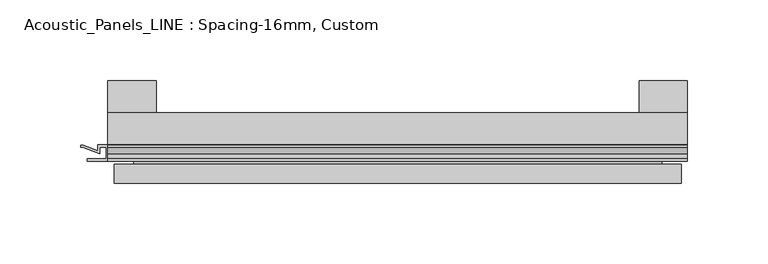
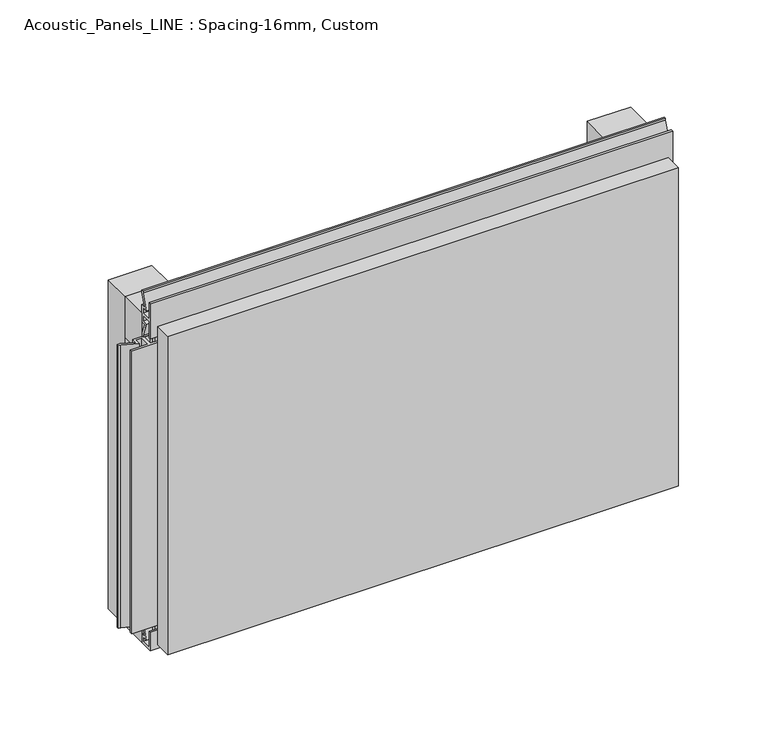
"""IFC4 building model written with IfcOpenShell, lengths in millimetres: plate geometry, Acoustic_Panels_LINE : Spacing-16mm, Custom."""

from ifc_helpers import new_model, si_unit, frame, origin, origin_with_axes, place, context, project, spatial, polyline, outline, extrude, faceted_brep, source, transform, mapped, element, save


def acoustic_panels_line_spacing_16mm_custom_079c71d9(model_context):
    return source(origin(), model_context, "Body", "SolidModel", [
        extrude(outline(polyline([(-180.0, -40.0), (-180.0, -20.0), (180.0, -20.0), (180.0, -40.0), (-180.0, -40.0)])), frame((0.0, 0.0, 210.0), z_axis=(0.0, 0.0, 1.0), x_axis=(1.0, 0.0, 0.0)), (0.0, 0.0, 1.0), 30.0),
        extrude(outline(polyline([(-180.0, -40.0), (-180.0, -20.0), (180.0, -20.0), (180.0, -40.0), (-180.0, -40.0)])), origin_with_axes(), (0.0, 0.0, 1.0), 30.0),
        extrude(outline(polyline([(150.0, 0.0), (180.0, 0.0), (180.0, -20.0), (150.0, -20.0), (150.0, 0.0)])), origin_with_axes(), (0.0, 0.0, 1.0), 240.0),
        extrude(outline(polyline([(-150.0, 0.0), (-150.0, -20.0), (-180.0, -20.0), (-180.0, 0.0), (-150.0, 0.0)])), origin_with_axes(), (0.0, 0.0, 1.0), 240.0),
        extrude(outline(polyline([(-40.0, 6.299084), (-40.0, 0.0), (-50.1, 0.0), (-50.1, 13.4156807), (-48.7, 13.4156807), (-48.7, 1.4156807), (-41.4, 1.4156807), (-41.4, 4.899084), (-45.5140545, 4.899084), (-41.4553267, 15.5703394), (-41.4553267, 22.991548), (-40.0553267, 22.991548), (-40.0553267, 15.3558599), (-43.5, 6.299084), (-40.0, 6.299084)])), frame((-180.0, 0.0, 0.0), z_axis=(1.0, 0.0, 0.0), x_axis=(0.0, 1.0, 0.0)), (0.0, 0.0, 1.0), 360.0),
        extrude(outline(polyline([(-180.899084, -48.7), (-180.899084, -41.4), (-184.899084, -41.4), (-184.899084, -45.5140545), (-195.5703394, -41.4553267), (-196.9558599, -41.4553267), (-196.9558599, -40.0553267), (-195.3558599, -40.0553267), (-186.299084, -43.5), (-186.299084, -40.0), (-173.700916, -40.0), (-173.700916, -43.5), (-164.6441401, -40.0553267), (-163.0441401, -40.0553267), (-163.0441401, -41.4553267), (-164.4296606, -41.4553267), (-175.100916, -45.5140545), (-175.100916, -41.4), (-179.100916, -41.4), (-179.100916, -48.7), (-167.100916, -48.7), (-167.100916, -50.1), (-192.899084, -50.1), (-192.899084, -48.7), (-180.899084, -48.7)])), frame((0.0, 0.0, 16.9558599), z_axis=(0.0, 0.0, 1.0), x_axis=(1.0, 0.0, 0.0)), (0.0, 0.0, 1.0), 206.0882802),
        extrude(outline(polyline([(-48.7, 240.899084), (-41.4, 240.899084), (-41.4, 244.899084), (-45.5140545, 244.899084), (-41.4553267, 255.5703394), (-41.4553267, 256.9558599), (-40.0553267, 256.9558599), (-40.0553267, 255.3558599), (-43.5, 246.299084), (-40.0, 246.299084), (-40.0, 233.700916), (-43.5, 233.700916), (-40.0553267, 224.6441401), (-40.0553267, 223.0441401), (-41.4553267, 223.0441401), (-41.4553267, 224.4296606), (-45.5140545, 235.100916), (-41.4, 235.100916), (-41.4, 239.100916), (-48.7, 239.100916), (-48.7, 227.100916), (-50.1, 227.100916), (-50.1, 252.899084), (-48.7, 252.899084), (-48.7, 240.899084)])), frame((-180.0, 0.0, 0.0), z_axis=(1.0, 0.0, 0.0), x_axis=(0.0, 1.0, 0.0)), (0.0, 0.0, 1.0), 360.0),
        faceted_brep([(176.0, -45.9, 236.0), (-176.0, -45.9, 236.0), (-176.0, -48.7, 236.0), (176.0, -48.7, 236.0), (-176.0, -63.9, 236.0), (176.0, -63.9, 236.0), (176.0, -51.9, 236.0), (-176.0, -51.9, 236.0), (-176.0, -45.9, 4.0), (176.0, -45.9, 4.0), (176.0, -48.7, 4.0), (-176.0, -48.7, 4.0), (176.0, -63.9, 4.0), (-176.0, -63.9, 4.0), (-176.0, -51.9, 4.0), (176.0, -51.9, 4.0), (164.0, -51.9, 224.0), (164.0, -51.9, 16.0), (164.0, -48.7, 16.0), (164.0, -48.7, 224.0), (-164.0, -51.9, 16.0), (-164.0, -48.7, 16.0), (-164.0, -51.9, 224.0), (-164.0, -48.7, 224.0)], [[[0, 1, 2, 3]], [[4, 5, 6, 7]], [[8, 9, 10, 11]], [[12, 13, 14, 15]], [[1, 0, 9, 8]], [[1, 8, 11, 2]], [[13, 4, 7, 14]], [[5, 4, 13, 12]], [[9, 0, 3, 10]], [[5, 12, 15, 6]], [[16, 17, 18, 19]], [[18, 17, 20, 21]], [[21, 20, 22, 23]], [[16, 19, 23, 22]], [[7, 6, 15, 14], [17, 16, 22, 20]], [[3, 2, 11, 10], [19, 18, 21, 23]]]),
    ])


if __name__ == "__main__":
    model = new_model("IFC4")
    model_context = context("Model", 3, world=origin())
    ifc_project = project(units=[si_unit("LENGTHUNIT", "METRE", prefix="MILLI")], contexts=[model_context])
    site = spatial("IfcSite", under=ifc_project)
    building = spatial("IfcBuilding", under=site)
    placement = place(None, origin())
    acoustic_panels_line_spacing_16mm_custom_shape = acoustic_panels_line_spacing_16mm_custom_079c71d9(model_context)
    element("IfcPlate", 1, ObjectType="Acoustic_Panels_LINE : Spacing-16mm, Custom", at=placement, inside=building, context=model_context, shape_type="MappedRepresentation", body=[
        mapped(acoustic_panels_line_spacing_16mm_custom_shape, transform((0.0, 0.0, 0.0), x_axis=(1.0, 0.0, 0.0), y_axis=(0.0, 1.0, 0.0), z_axis=(0.0, 0.0, 1.0))),
    ])
    save(model, "model.ifc")
